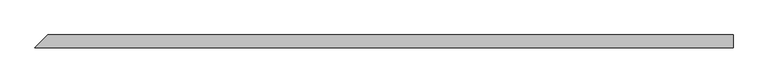
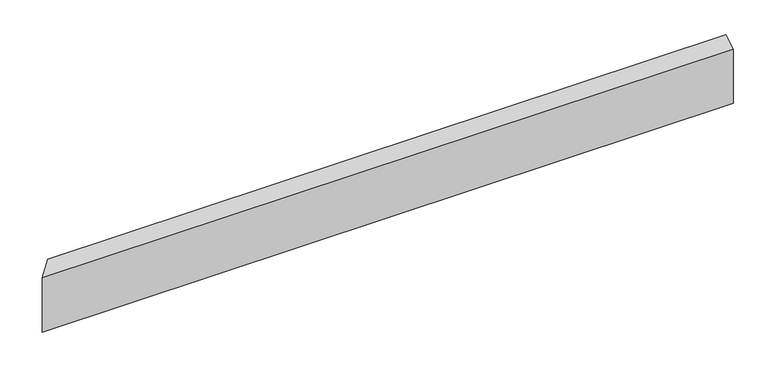
"""IFC4 building model written with IfcOpenShell, lengths in millimetres: beam geometry."""

from ifc_helpers import new_model, si_unit, origin, place, context, project, spatial, faceted_brep, source, transform, mapped, element, save


def beam_73bf934b(model_context):
    return source(origin(), model_context, "Body", "Brep", [
        faceted_brep([(591.6254921, -11.0, 55.8), (-602.6254921, -11.0, 55.8), (-602.6254921, -11.0, -43.0982941), (591.6254921, -11.0, -43.0982941), (591.6254921, 11.0, 68.5017059), (591.6254921, 11.0, -43.0982941), (-580.6254921, 11.0, -43.0982941), (-580.6254921, 11.0, 68.5017059)], [[[0, 1, 2, 3]], [[4, 5, 6, 7]], [[5, 4, 0, 3]], [[6, 5, 3, 2]], [[7, 6, 2, 1]], [[4, 7, 1, 0]]]),
    ])


if __name__ == "__main__":
    model = new_model("IFC4")
    model_context = context("Model", 3, world=origin())
    ifc_project = project(units=[si_unit("LENGTHUNIT", "METRE", prefix="MILLI")], contexts=[model_context])
    site = spatial("IfcSite", under=ifc_project)
    building = spatial("IfcBuilding", under=site)
    placement = place(None, origin())
    beam_shape = beam_73bf934b(model_context)
    element("IfcBeam", 1, at=placement, inside=building, context=model_context, shape_type="MappedRepresentation", body=[
        mapped(beam_shape, transform((0.0, 0.0, 0.0), x_axis=(1.0, 0.0, 0.0), y_axis=(0.0, 1.0, 0.0), z_axis=(0.0, 0.0, 1.0))),
    ])
    save(model, "model.ifc")
